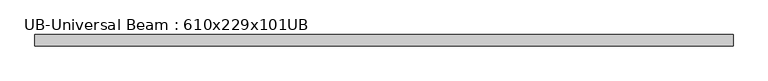
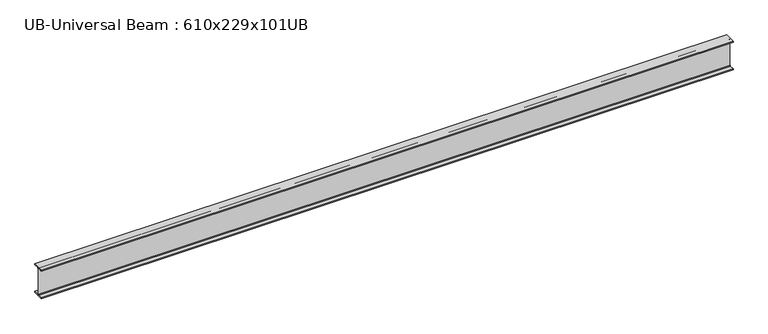
"""IFC4 building model written with IfcOpenShell, lengths in millimetres: beam geometry, UB-Universal Beam : 610x229x101UB."""

from ifc_helpers import new_model, si_unit, point, frame, frame_2d, origin, place, context, project, spatial, polyline, circle_curve, trimmed, segment, composite_curve, outline, extrude, source, transform, mapped, element, save


def ub_universal_beam_610x229x101ub_78f75fea(model_context):
    return source(origin(), model_context, "Body", "SweptSolid", [
        extrude(outline(composite_curve([segment(polyline([(113.8, -286.5), (113.8, -301.3), (-113.8, -301.3), (-113.8, -286.5), (-17.95, -286.5)]), True, "CONTINUOUS"), segment(trimmed(circle_curve(frame_2d((-17.95, -273.8)), 12.7), [point((-17.95, -286.5))], [point((-5.25, -273.8))], True, "CARTESIAN"), True, "CONTINUOUS"), segment(polyline([(-5.25, -273.8), (-5.25, 273.8)]), True, "CONTINUOUS"), segment(trimmed(circle_curve(frame_2d((-17.95, 273.8)), 12.7), [point((-5.25, 273.8))], [point((-17.95, 286.5))], True, "CARTESIAN"), True, "CONTINUOUS"), segment(polyline([(-17.95, 286.5), (-113.8, 286.5), (-113.8, 301.3), (113.8, 301.3), (113.8, 286.5), (17.95, 286.5)]), True, "CONTINUOUS"), segment(trimmed(circle_curve(frame_2d((17.95, 273.8)), 12.7), [point((17.95, 286.5))], [point((5.25, 273.8))], True, "CARTESIAN"), True, "CONTINUOUS"), segment(polyline([(5.25, 273.8), (5.25, -273.8)]), True, "CONTINUOUS"), segment(trimmed(circle_curve(frame_2d((17.95, -273.8)), 12.7), [point((5.25, -273.8))], [point((17.95, -286.5))], True, "CARTESIAN"), True, "CONTINUOUS"), segment(polyline([(17.95, -286.5), (113.8, -286.5)]), True, "CONTINUOUS")], self_intersect=False)), frame((-6921.8458095, 0.0, 0.0), z_axis=(1.0, 0.0, 0.0), x_axis=(0.0, 1.0, 0.0)), (0.0, 0.0, 1.0), 13970.3467435),
    ])


if __name__ == "__main__":
    model = new_model("IFC4")
    model_context = context("Model", 3, world=origin())
    ifc_project = project(units=[si_unit("LENGTHUNIT", "METRE", prefix="MILLI")], contexts=[model_context])
    site = spatial("IfcSite", under=ifc_project)
    building = spatial("IfcBuilding", under=site)
    placement = place(None, origin())
    ub_universal_beam_610x229x101ub_shape = ub_universal_beam_610x229x101ub_78f75fea(model_context)
    element("IfcBeam", 1, ObjectType="UB-Universal Beam : 610x229x101UB", at=placement, inside=building, context=model_context, shape_type="MappedRepresentation", body=[
        mapped(ub_universal_beam_610x229x101ub_shape, transform((0.0, 0.0, 0.0), x_axis=(1.0, 0.0, 0.0), y_axis=(0.0, 1.0, 0.0), z_axis=(0.0, 0.0, 1.0))),
    ])
    save(model, "model.ifc")
